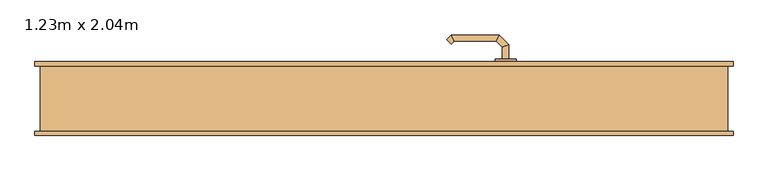
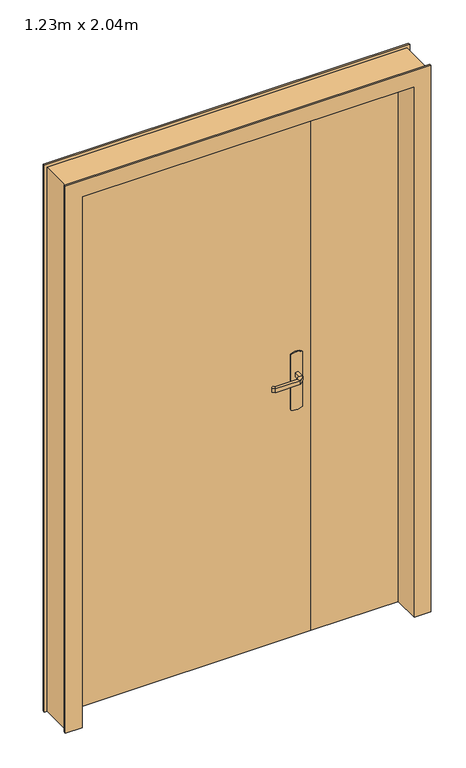
"""IFC4 building model written with IfcOpenShell, lengths in millimetres: door geometry, 1.23m x 2.04m."""

from ifc_helpers import new_model, si_unit, point, frame, frame_2d, origin, origin_with_axes, place, context, project, spatial, polyline, circle_curve, ellipse_curve, trimmed, segment, composite_curve, outline, extrude, faceted_brep, source, transform, mapped, element, save
from ifc_brep_helpers import plane_surface, cylinder_surface, advanced_brep


def door_1_23m_x_2_04m_4c7697ea(model_context):
    return source(origin(), model_context, "Body", "SolidModel", [
        advanced_brep(
        [(224.0, 25.0, 993.0), (224.0, 25.0, 1007.0), (236.0, 25.0, 1007.0), (236.0, 25.0, 993.0), (224.0, 2.5147955, 993.0), (224.0, 2.5147955, 1007.0), (236.0, -2.4557673, 1007.0), (236.0, -2.4557673, 993.0), (212.5147186, -8.9704859, 993.0), (212.5147186, -8.9704859, 1007.0), (217.4852814, -20.9704859, 1007.0), (217.4852814, -20.9704859, 993.0), (132.4394977, -8.9704859, 993.0), (132.4394977, -8.9704859, 1007.0), (127.468935, -20.9704859, 1007.0), (127.468935, -20.9704859, 993.0), (127.1257892, -3.6567774, 993.0), (118.6405078, -12.1420588, 993.0), (118.6405078, -12.1420588, 1007.0), (127.1257892, -3.6567774, 1007.0)],
        [
            (0, 1),
            (1, 2, circle_curve(frame((230.0, 25.0, 986.9542278), z_axis=(0.0, 1.0, 0.0), x_axis=(1.0, 0.0, 0.0)), 20.9244589)),
            (2, 3),
            (3, 0, circle_curve(frame((230.0, 25.0, 1013.0457722), z_axis=(0.0, 1.0, 0.0), x_axis=(1.0, 0.0, 0.0)), 20.9244589)),
            (0, 4),
            (4, 5),
            (5, 1),
            (5, 6, ellipse_curve(frame((230.0, 0.0295141, 986.9542278), z_axis=(0.38268343236510893, 0.9238795325112789, 0.0), x_axis=(-0.9238795325112789, 0.3826834323651087, 0.0)), 22.6484711, 20.9244589)),
            (6, 2),
            (6, 7),
            (7, 3),
            (7, 4, ellipse_curve(frame((230.0, 0.0295141, 1013.0457722), z_axis=(0.38268343236510893, 0.9238795325112789, 0.0), x_axis=(-0.9238795325112789, 0.3826834323651087, 0.0)), 22.6484711, 20.9244589)),
            (4, 8),
            (8, 9),
            (9, 5),
            (9, 10, ellipse_curve(frame((215.0, -14.9704859, 986.9542278), z_axis=(0.9238795325112946, 0.38268343236507063, 0.0), x_axis=(-0.3826834323650701, 0.9238795325112948, 0.0)), 22.6484711, 20.9244589)),
            (10, 6),
            (10, 11),
            (11, 7),
            (11, 8, ellipse_curve(frame((215.0, -14.9704859, 1013.0457722), z_axis=(0.9238795325112946, 0.38268343236507063, 0.0), x_axis=(-0.3826834323650701, 0.9238795325112948, 0.0)), 22.6484711, 20.9244589)),
            (8, 12),
            (12, 13),
            (13, 9),
            (13, 14, ellipse_curve(frame((129.9542163, -14.9704859, 986.9542278), z_axis=(0.9238795325113071, -0.38268343236504027, 0.0), x_axis=(0.38268343236504115, 0.9238795325113068, 0.0)), 22.6484711, 20.9244589)),
            (14, 10),
            (14, 15),
            (15, 11),
            (15, 12, ellipse_curve(frame((129.9542163, -14.9704859, 1013.0457722), z_axis=(0.9238795325113071, -0.38268343236504027, 0.0), x_axis=(0.38268343236504115, 0.9238795325113068, 0.0)), 22.6484711, 20.9244589)),
            (16, 17, circle_curve(frame((122.8831485, -7.8994181, 1013.0457722), z_axis=(-0.7071067811866232, 0.7071067811864719, 0.0), x_axis=(-0.7071067811864719, -0.7071067811866232, 0.0)), 20.9244589)),
            (17, 18),
            (18, 19, circle_curve(frame((122.8831485, -7.8994181, 986.9542278), z_axis=(-0.7071067811866232, 0.7071067811864719, 0.0), x_axis=(-0.7071067811864719, -0.7071067811866232, 0.0)), 20.9244589)),
            (19, 16),
            (12, 16),
            (19, 13),
            (18, 14),
            (17, 15),
        ],
        [
            plane_surface(frame((239.2195445, 25.0, 1000.0), z_axis=(0.0, 1.0, 0.0), x_axis=(0.0, 0.0, 1.0))),
            plane_surface(frame((224.0, 25.0, 993.0), z_axis=(-1.0, 0.0, 0.0), x_axis=(0.0, -1.0, 0.0))),
            cylinder_surface(frame((230.0, 25.0, 986.9542278), z_axis=(0.0, 1.0, 0.0), x_axis=(1.0, 0.0, 0.0)), 20.9244589),
            plane_surface(frame((236.0, 25.0, 1007.0), z_axis=(1.0, 0.0, 0.0), x_axis=(0.0, -1.0, 0.0))),
            cylinder_surface(frame((230.0, 25.0, 1013.0457722), z_axis=(0.0, 1.0, 0.0), x_axis=(1.0, 0.0, 0.0)), 20.9244589),
            plane_surface(frame((224.0, 2.5147955, 993.0), z_axis=(-0.707106781186518, 0.707106781186577, 0.0), x_axis=(-0.707106781186577, -0.707106781186518, 0.0))),
            cylinder_surface(frame((230.0, 0.0295141, 986.9542278), z_axis=(0.7071067811865768, 0.7071067811865183, 0.0), x_axis=(0.7071067811865183, -0.7071067811865768, 0.0)), 20.9244589),
            plane_surface(frame((236.0, -2.4557673, 1007.0), z_axis=(0.7071067811865185, -0.7071067811865767, 0.0), x_axis=(-0.7071067811865767, -0.7071067811865185, 0.0))),
            cylinder_surface(frame((230.0, 0.0295141, 1013.0457722), z_axis=(0.7071067811865768, 0.7071067811865183, 0.0), x_axis=(0.7071067811865183, -0.7071067811865768, 0.0)), 20.9244589),
            plane_surface(frame((212.5147186, -8.9704859, 993.0), z_axis=(0.0, 1.0, 0.0), x_axis=(-1.0, 0.0, 0.0))),
            cylinder_surface(frame((215.0, -14.9704859, 986.9542278), z_axis=(1.0, 0.0, 0.0), x_axis=(0.0, -1.0, 0.0)), 20.9244589),
            plane_surface(frame((217.4852814, -20.9704859, 1007.0), z_axis=(0.0, -1.0, 0.0), x_axis=(-1.0, 0.0, 0.0))),
            cylinder_surface(frame((215.0, -14.9704859, 1013.0457722), z_axis=(1.0, 0.0, 0.0), x_axis=(0.0, -1.0, 0.0)), 20.9244589),
            plane_surface(frame((122.8831485, -7.8994181, 990.7804555), z_axis=(-0.7071067811866233, 0.7071067811864719, 0.0), x_axis=(-0.7071067811864719, -0.7071067811866233, 0.0))),
            plane_surface(frame((132.4394977, -8.9704859, 993.0), z_axis=(0.707106781186471, 0.7071067811866241, 0.0), x_axis=(-0.7071067811866241, 0.707106781186471, 0.0))),
            cylinder_surface(frame((129.9542163, -14.9704859, 986.9542278), z_axis=(0.7071067811866232, -0.7071067811864719, 0.0), x_axis=(-0.7071067811864719, -0.7071067811866232, 0.0)), 20.9244589),
            plane_surface(frame((127.468935, -20.9704859, 1007.0), z_axis=(-0.7071067811864723, -0.7071067811866228, 0.0), x_axis=(-0.7071067811866228, 0.7071067811864723, 0.0))),
            cylinder_surface(frame((129.9542163, -14.9704859, 1013.0457722), z_axis=(0.7071067811866232, -0.7071067811864719, 0.0), x_axis=(-0.7071067811864719, -0.7071067811866232, 0.0)), 20.9244589),
        ],
        [
            (0, [[1, 2, 3, 4]]),
            (1, [[-1, 5, 6, 7]]),
            (2, [[-2, -7, 8, 9]]),
            (3, [[-3, -9, 10, 11]]),
            (4, [[-4, -11, 12, -5]]),
            (5, [[-6, 13, 14, 15]]),
            (6, [[-8, -15, 16, 17]]),
            (7, [[-10, -17, 18, 19]]),
            (8, [[-12, -19, 20, -13]]),
            (9, [[-14, 21, 22, 23]]),
            (10, [[-16, -23, 24, 25]]),
            (11, [[-18, -25, 26, 27]]),
            (12, [[-20, -27, 28, -21]]),
            (13, [[29, 30, 31, 32]]),
            (14, [[-22, 33, -32, 34]]),
            (15, [[-24, -34, -31, 35]]),
            (16, [[-26, -35, -30, 36]]),
            (17, [[-28, -36, -29, -33]]),
        ],
    ),
        advanced_brep(
        [(236.0, 75.0, 1007.0), (224.0, 75.0, 1007.0), (224.0, 75.0, 993.0), (236.0, 75.0, 993.0), (236.0, 102.6509507, 1007.0), (224.0, 97.680388, 1007.0), (224.0, 97.680388, 993.0), (236.0, 102.6509507, 993.0), (217.62279, 121.0281607, 1007.0), (212.6522273, 109.0281607, 1007.0), (212.6522273, 109.0281607, 993.0), (217.62279, 121.0281607, 993.0), (127.496078, 121.0281607, 1007.0), (132.4666408, 109.0281607, 1007.0), (132.4666408, 109.0281607, 993.0), (127.496078, 121.0281607, 993.0), (118.6676509, 112.1997336, 1007.0), (118.6676509, 112.1997336, 993.0), (127.1529323, 103.7144522, 993.0), (127.1529323, 103.7144522, 1007.0)],
        [
            (0, 1, circle_curve(frame((230.0, 75.0, 986.9542278), z_axis=(0.0, -1.0, 0.0), x_axis=(-1.0, 0.0, 0.0)), 20.9244589)),
            (1, 2),
            (2, 3, circle_curve(frame((230.0, 75.0, 1013.0457722), z_axis=(0.0, -1.0, 0.0), x_axis=(-1.0, 0.0, 0.0)), 20.9244589)),
            (3, 0),
            (0, 4),
            (4, 5, ellipse_curve(frame((230.0, 100.1656693, 986.9542278), z_axis=(0.3826834323651093, -0.9238795325112789, 0.0), x_axis=(-0.9238795325112791, -0.38268343236510843, 0.0)), 22.6484711, 20.9244589)),
            (5, 1),
            (5, 6),
            (6, 2),
            (6, 7, ellipse_curve(frame((230.0, 100.1656693, 1013.0457722), z_axis=(0.3826834323651093, -0.9238795325112789, 0.0), x_axis=(-0.9238795325112791, -0.38268343236510843, 0.0)), 22.6484711, 20.9244589)),
            (7, 3),
            (7, 4),
            (4, 8),
            (8, 9, ellipse_curve(frame((215.1375086, 115.0281607, 986.9542278), z_axis=(0.9238795325112947, -0.38268343236507024, 0.0), x_axis=(-0.3826834323650698, -0.9238795325112951, 0.0)), 22.6484711, 20.9244589)),
            (9, 5),
            (9, 10),
            (10, 6),
            (10, 11, ellipse_curve(frame((215.1375086, 115.0281607, 1013.0457722), z_axis=(0.9238795325112947, -0.38268343236507024, 0.0), x_axis=(-0.3826834323650698, -0.9238795325112951, 0.0)), 22.6484711, 20.9244589)),
            (11, 7),
            (11, 8),
            (8, 12),
            (12, 13, ellipse_curve(frame((129.9813594, 115.0281607, 986.9542278), z_axis=(0.9238795325112743, 0.3826834323651198, 0.0), x_axis=(0.38268343236511987, -0.9238795325112744, 0.0)), 22.6484711, 20.9244589)),
            (13, 9),
            (13, 14),
            (14, 10),
            (14, 15, ellipse_curve(frame((129.9813594, 115.0281607, 1013.0457722), z_axis=(0.9238795325112743, 0.3826834323651198, 0.0), x_axis=(0.38268343236511987, -0.9238795325112744, 0.0)), 22.6484711, 20.9244589)),
            (15, 11),
            (15, 12),
            (16, 17),
            (17, 18, circle_curve(frame((122.9102916, 107.9570929, 1013.0457722), z_axis=(-0.7071067811865017, -0.7071067811865933, 0.0), x_axis=(0.7071067811865933, -0.7071067811865017, 0.0)), 20.9244589)),
            (18, 19),
            (19, 16, circle_curve(frame((122.9102916, 107.9570929, 986.9542278), z_axis=(-0.7071067811865017, -0.7071067811865933, 0.0), x_axis=(0.7071067811865933, -0.7071067811865017, 0.0)), 20.9244589)),
            (12, 16),
            (19, 13),
            (18, 14),
            (17, 15),
        ],
        [
            plane_surface(frame((239.2195445, 75.0, 1000.0), z_axis=(0.0, -1.0, 0.0), x_axis=(0.0, 0.0, -1.0))),
            cylinder_surface(frame((230.0, 75.0, 986.9542278), z_axis=(0.0, -1.0, 0.0), x_axis=(-1.0, 0.0, 0.0)), 20.9244589),
            plane_surface(frame((224.0, 75.0, 1007.0), z_axis=(-1.0, 0.0, 0.0), x_axis=(0.0, 1.0, 0.0))),
            cylinder_surface(frame((230.0, 75.0, 1013.0457722), z_axis=(0.0, -1.0, 0.0), x_axis=(-1.0, 0.0, 0.0)), 20.9244589),
            plane_surface(frame((236.0, 75.0, 993.0), z_axis=(1.0, 0.0, 0.0), x_axis=(0.0, 1.0, 0.0))),
            cylinder_surface(frame((230.0, 100.1656693, 986.9542278), z_axis=(0.7071067811865772, -0.7071067811865177, 0.0), x_axis=(-0.7071067811865177, -0.7071067811865772, 0.0)), 20.9244589),
            plane_surface(frame((224.0, 97.680388, 1007.0), z_axis=(-0.7071067811865183, -0.7071067811865768, 0.0), x_axis=(-0.7071067811865768, 0.7071067811865183, 0.0))),
            cylinder_surface(frame((230.0, 100.1656693, 1013.0457722), z_axis=(0.7071067811865772, -0.7071067811865177, 0.0), x_axis=(-0.7071067811865177, -0.7071067811865772, 0.0)), 20.9244589),
            plane_surface(frame((236.0, 102.6509507, 993.0), z_axis=(0.707106781186518, 0.707106781186577, 0.0), x_axis=(-0.707106781186577, 0.707106781186518, 0.0))),
            cylinder_surface(frame((215.1375086, 115.0281607, 986.9542278), z_axis=(1.0, 0.0, 0.0), x_axis=(0.0, -1.0, 0.0)), 20.9244589),
            plane_surface(frame((212.6522273, 109.0281607, 1007.0), z_axis=(0.0, -1.0, 0.0), x_axis=(-1.0, 0.0, 0.0))),
            cylinder_surface(frame((215.1375086, 115.0281607, 1013.0457722), z_axis=(1.0, 0.0, 0.0), x_axis=(0.0, -1.0, 0.0)), 20.9244589),
            plane_surface(frame((217.62279, 121.0281607, 993.0), z_axis=(0.0, 1.0, 0.0), x_axis=(-1.0, 0.0, 0.0))),
            plane_surface(frame((122.9102916, 107.9570929, 1009.2195445), z_axis=(-0.7071067811865019, -0.7071067811865932, 0.0), x_axis=(-0.7071067811865932, 0.7071067811865019, 0.0))),
            cylinder_surface(frame((129.9813594, 115.0281607, 986.9542278), z_axis=(0.7071067811865017, 0.7071067811865933, 0.0), x_axis=(0.7071067811865933, -0.7071067811865017, 0.0)), 20.9244589),
            plane_surface(frame((132.4666408, 109.0281607, 1007.0), z_axis=(0.7071067811865936, -0.7071067811865014, 0.0), x_axis=(-0.7071067811865014, -0.7071067811865936, 0.0))),
            cylinder_surface(frame((129.9813594, 115.0281607, 1013.0457722), z_axis=(0.7071067811865017, 0.7071067811865933, 0.0), x_axis=(0.7071067811865933, -0.7071067811865017, 0.0)), 20.9244589),
            plane_surface(frame((127.496078, 121.0281607, 993.0), z_axis=(-0.707106781186593, 0.7071067811865022, 0.0), x_axis=(-0.7071067811865022, -0.707106781186593, 0.0))),
        ],
        [
            (0, [[1, 2, 3, 4]]),
            (1, [[-1, 5, 6, 7]]),
            (2, [[-2, -7, 8, 9]]),
            (3, [[-3, -9, 10, 11]]),
            (4, [[-4, -11, 12, -5]]),
            (5, [[-6, 13, 14, 15]]),
            (6, [[-8, -15, 16, 17]]),
            (7, [[-10, -17, 18, 19]]),
            (8, [[-12, -19, 20, -13]]),
            (9, [[-14, 21, 22, 23]]),
            (10, [[-16, -23, 24, 25]]),
            (11, [[-18, -25, 26, 27]]),
            (12, [[-20, -27, 28, -21]]),
            (13, [[29, 30, 31, 32]]),
            (14, [[-22, 33, -32, 34]]),
            (15, [[-24, -34, -31, 35]]),
            (16, [[-26, -35, -30, 36]]),
            (17, [[-28, -36, -29, -33]]),
        ],
    ),
        extrude(outline(composite_curve([segment(polyline([(1080.0, 210.0), (870.0, 210.0)]), True, "CONTINUOUS"), segment(trimmed(circle_curve(frame_2d((904.6410162, 230.0)), 40.0), [point((870.0, 210.0))], [point((870.0, 250.0))], False, "CARTESIAN"), True, "CONTINUOUS"), segment(polyline([(870.0, 250.0), (1080.0, 250.0)]), True, "CONTINUOUS"), segment(trimmed(circle_curve(frame_2d((1045.3589838, 230.0)), 40.0), [point((1080.0, 250.0))], [point((1080.0, 210.0))], False, "CARTESIAN"), True, "CONTINUOUS")], self_intersect=False)), frame((0.0, 25.0, 0.0), z_axis=(0.0, 1.0, 0.0), x_axis=(0.0, 0.0, 1.0)), (0.0, 0.0, 1.0), 5.0),
        extrude(outline(composite_curve([segment(polyline([(870.0, 250.0), (1080.0, 250.0)]), True, "CONTINUOUS"), segment(trimmed(circle_curve(frame_2d((1045.3589838, 230.0)), 40.0), [point((1080.0, 250.0))], [point((1080.0, 210.0))], False, "CARTESIAN"), True, "CONTINUOUS"), segment(polyline([(1080.0, 210.0), (870.0, 210.0)]), True, "CONTINUOUS"), segment(trimmed(circle_curve(frame_2d((904.6410162, 230.0)), 40.0), [point((870.0, 210.0))], [point((870.0, 250.0))], False, "CARTESIAN"), True, "CONTINUOUS")], self_intersect=False)), frame((0.0, 70.0, 0.0), z_axis=(0.0, 1.0, 0.0), x_axis=(0.0, 0.0, 1.0)), (0.0, 0.0, 1.0), 5.0),
        faceted_brep([(-650.0, 62.0, 0.0), (-660.0, 62.0, 0.0), (-660.0, 70.0, 0.0), (-615.0, 70.0, 0.0), (-615.0, 30.0, 0.0), (-600.0, 30.0, 0.0), (-600.0, -70.0, 0.0), (-660.0, -70.0, 0.0), (-660.0, -62.0, 0.0), (-650.0, -62.0, 0.0), (-650.0, -62.0, 2075.0), (-650.0, 62.0, 2075.0), (-660.0, -62.0, 2085.0), (660.0, -62.0, 2085.0), (660.0, -62.0, 0.0), (650.0, -62.0, 0.0), (650.0, -62.0, 2075.0), (-660.0, -70.0, 2085.0), (-600.0, -70.0, 2025.0), (600.0, -70.0, 2025.0), (600.0, -70.0, 0.0), (660.0, -70.0, 0.0), (660.0, -70.0, 2085.0), (-600.0, 30.0, 2025.0), (-615.0, 30.0, 2040.0), (615.0, 30.0, 2040.0), (615.0, 30.0, 0.0), (600.0, 30.0, 0.0), (600.0, 30.0, 2025.0), (-615.0, 70.0, 2040.0), (-660.0, 70.0, 2085.0), (660.0, 70.0, 2085.0), (660.0, 70.0, 0.0), (615.0, 70.0, 0.0), (615.0, 70.0, 2040.0), (-660.0, 62.0, 2085.0), (650.0, 62.0, 2075.0), (650.0, 62.0, 0.0), (660.0, 62.0, 0.0), (660.0, 62.0, 2085.0)], [[[0, 1, 2, 3, 4, 5, 6, 7, 8, 9]], [[9, 10, 11, 0]], [[8, 12, 13, 14, 15, 16, 10, 9]], [[7, 17, 12, 8]], [[6, 18, 19, 20, 21, 22, 17, 7]], [[5, 23, 18, 6]], [[4, 24, 25, 26, 27, 28, 23, 5]], [[3, 29, 24, 4]], [[2, 30, 31, 32, 33, 34, 29, 3]], [[1, 35, 30, 2]], [[0, 11, 36, 37, 38, 39, 35, 1]], [[16, 15, 37, 36]], [[37, 15, 14, 21, 20, 27, 26, 33, 32, 38]], [[22, 21, 14, 13]], [[28, 27, 20, 19]], [[34, 33, 26, 25]], [[39, 38, 32, 31]], [[10, 16, 36, 11]], [[17, 22, 13, 12]], [[23, 28, 19, 18]], [[29, 34, 25, 24]], [[35, 39, 31, 30]]]),
        extrude(outline(polyline([(615.0, 70.0), (615.0, 30.0), (285.0, 30.0), (285.0, 70.0), (615.0, 70.0)])), origin_with_axes(), (0.0, 0.0, 1.0), 2040.0),
        extrude(outline(polyline([(285.0, 70.0), (285.0, 30.0), (-615.0, 30.0), (-615.0, 70.0), (285.0, 70.0)])), origin_with_axes(), (0.0, 0.0, 1.0), 2040.0),
    ])


if __name__ == "__main__":
    model = new_model("IFC4")
    model_context = context("Model", 3, world=origin())
    ifc_project = project(units=[si_unit("LENGTHUNIT", "METRE", prefix="MILLI")], contexts=[model_context])
    site = spatial("IfcSite", under=ifc_project)
    building = spatial("IfcBuilding", under=site)
    placement = place(None, origin())
    door_1_23m_x_2_04m_shape = door_1_23m_x_2_04m_4c7697ea(model_context)
    element("IfcDoor", 1, ObjectType="1.23m x 2.04m", at=placement, inside=building, context=model_context, shape_type="MappedRepresentation", body=[
        mapped(door_1_23m_x_2_04m_shape, transform((0.0, 0.0, 0.0), x_axis=(1.0, 0.0, 0.0), y_axis=(0.0, 1.0, 0.0), z_axis=(0.0, 0.0, 1.0))),
    ])
    save(model, "model.ifc")
